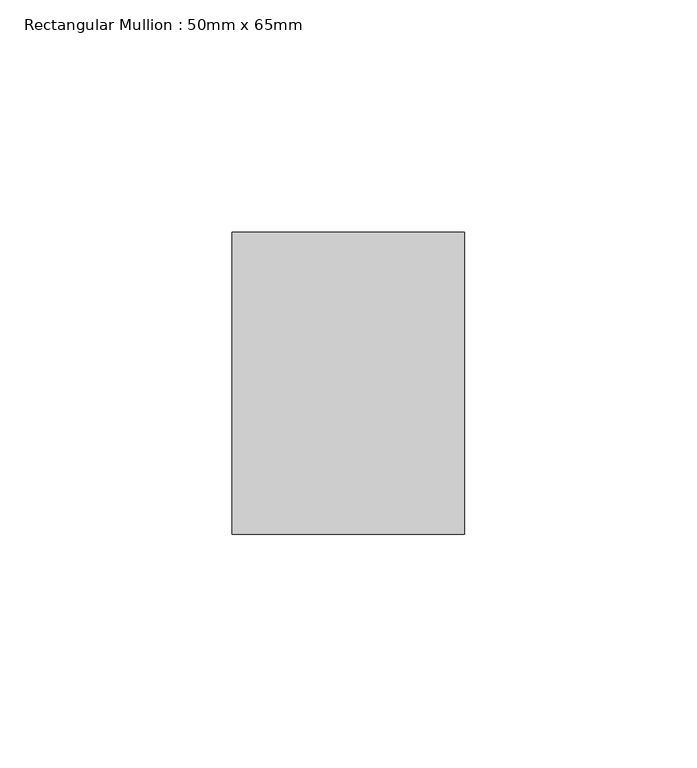
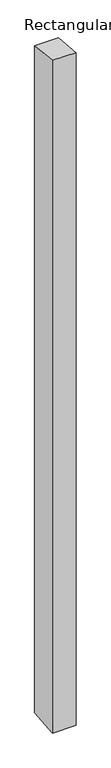
"""IFC4 building model written with IfcOpenShell, lengths in millimetres: member geometry, Rectangular Mullion : 50mm x 65mm."""

from ifc_helpers import new_model, si_unit, origin, place, context, project, spatial, faceted_brep, source, transform, mapped, element, save


def rectangular_mullion_50mm_x_65mm_74203d04(model_context):
    return source(origin(), model_context, "Body", "Brep", [
        faceted_brep([(-25.0, 32.5, -3.3716791), (25.0, 32.5, -3.3716804), (25.0, 32.5, -1496.8525682), (-25.0, 32.5, -1496.8525694), (-25.0, -32.5, 3.3716804), (-25.0, -32.5, -1503.1464377), (25.0, -32.5, 3.3716791), (25.0, -32.5, -1503.1464365)], [[[0, 1, 2, 3]], [[4, 0, 3, 5]], [[6, 4, 5, 7]], [[1, 6, 7, 2]], [[1, 0, 4, 6]], [[2, 7, 5, 3]]]),
    ])


if __name__ == "__main__":
    model = new_model("IFC4")
    model_context = context("Model", 3, world=origin())
    ifc_project = project(units=[si_unit("LENGTHUNIT", "METRE", prefix="MILLI")], contexts=[model_context])
    site = spatial("IfcSite", under=ifc_project)
    building = spatial("IfcBuilding", under=site)
    placement = place(None, origin())
    rectangular_mullion_50mm_x_65mm_shape = rectangular_mullion_50mm_x_65mm_74203d04(model_context)
    element("IfcMember", 1, ObjectType="Rectangular Mullion : 50mm x 65mm", at=placement, inside=building, context=model_context, shape_type="MappedRepresentation", body=[
        mapped(rectangular_mullion_50mm_x_65mm_shape, transform((0.0, 0.0, 0.0), x_axis=(1.0, 0.0, 0.0), y_axis=(0.0, 1.0, 0.0), z_axis=(0.0, 0.0, 1.0))),
    ])
    save(model, "model.ifc")
